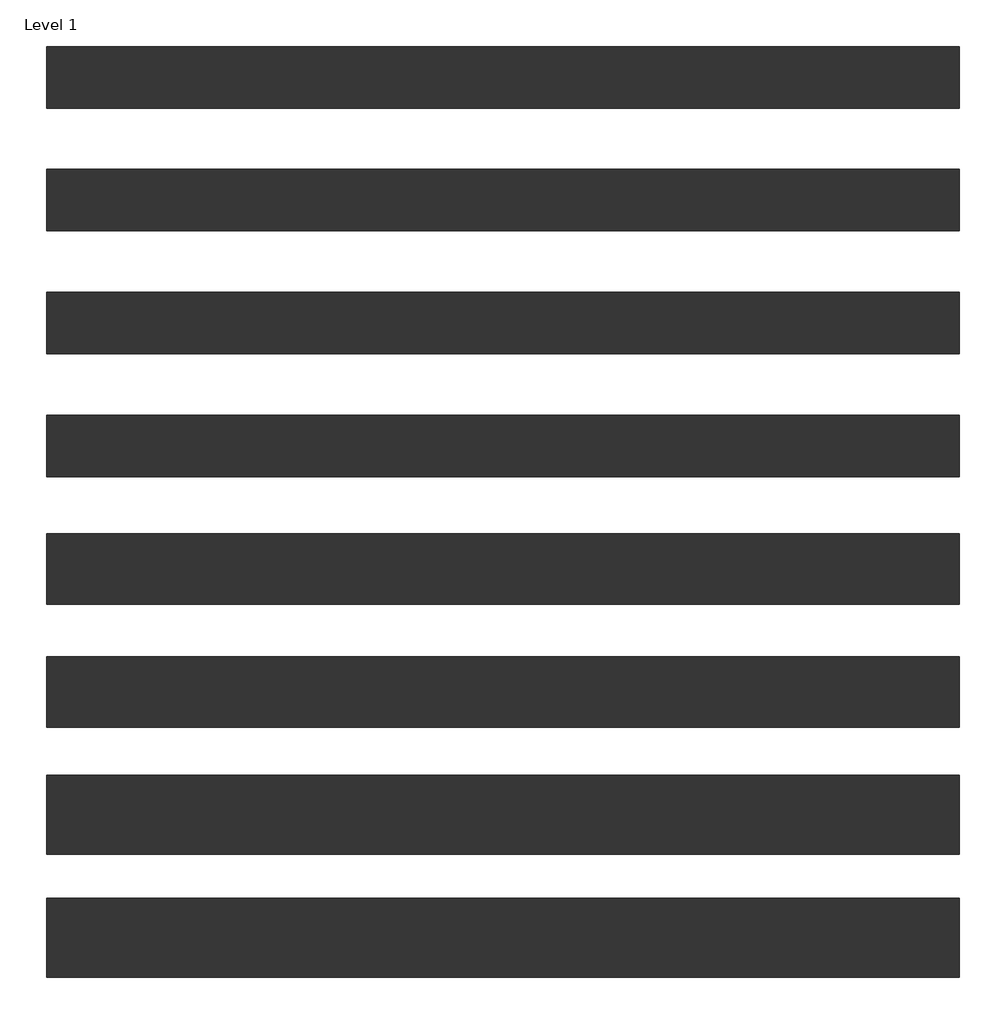
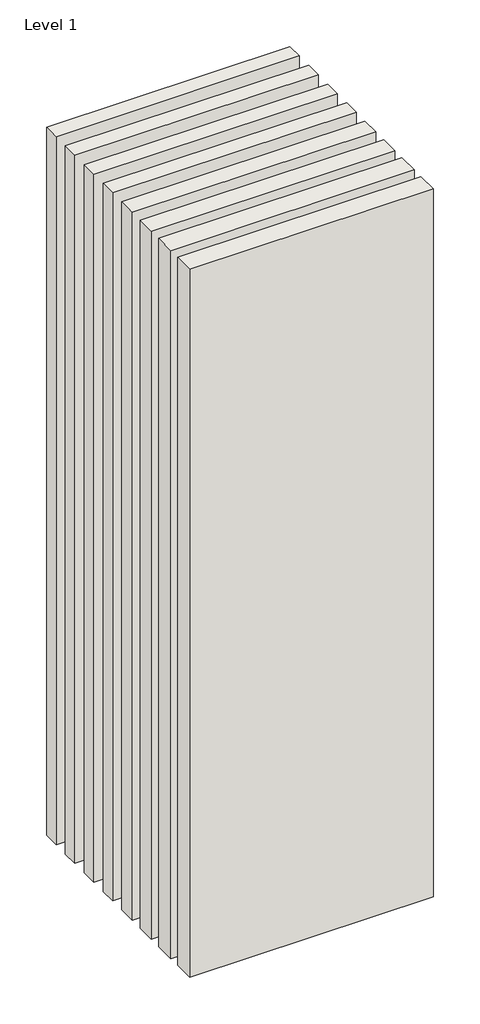
# One storey: 8 walls.
"""IFC4 building model written with IfcOpenShell, lengths in millimetres."""

from ifc_helpers import new_model, si_unit, origin, origin_with_axes, place, context, project, spatial, polyline, outline, extrude, element, save

model = new_model("IFC4")

# Units and contexts
model_context = context("Model", 3, world=origin())
ifc_project = project(units=[si_unit("LENGTHUNIT", "METRE", prefix="MILLI")], contexts=[model_context])

# Site, building, storey
site = spatial("IfcSite", under=ifc_project)
building = spatial("IfcBuilding", under=site)
storey = spatial("IfcBuildingStorey", under=building, Name="Level 1", Elevation=0.0)

# Walls
placement = place(None, origin())
element("IfcWall", 1, at=placement, inside=storey, context=model_context, shape_type="SweptSolid", body=[
    extrude(outline(polyline([(-16904.1464237, 2598.9042935), (-19504.1464237, 2598.9042935), (-19504.1464237, 2773.9042935), (-16904.1464237, 2773.9042935), (-16904.1464237, 2598.9042935)])), origin_with_axes(), (0.0, 0.0, 1.0), 8000.0),
])
element("IfcWall", 2, at=placement, inside=storey, context=model_context, shape_type="SweptSolid", body=[
    extrude(outline(polyline([(-16904.1464237, 2236.4042935), (-19504.1464237, 2236.4042935), (-19504.1464237, 2436.4042935), (-16904.1464237, 2436.4042935), (-16904.1464237, 2236.4042935)])), origin_with_axes(), (0.0, 0.0, 1.0), 8000.0),
])
element("IfcWall", 3, at=placement, inside=storey, context=model_context, shape_type="SweptSolid", body=[
    extrude(outline(polyline([(-16904.1464237, 1886.4042935), (-19504.1464237, 1886.4042935), (-19504.1464237, 2086.4042935), (-16904.1464237, 2086.4042935), (-16904.1464237, 1886.4042935)])), origin_with_axes(), (0.0, 0.0, 1.0), 8000.0),
])
element("IfcWall", 4, at=placement, inside=storey, context=model_context, shape_type="SweptSolid", body=[
    extrude(outline(polyline([(-16904.1464237, 3648.9042935), (-19504.1464237, 3648.9042935), (-19504.1464237, 3823.9042935), (-16904.1464237, 3823.9042935), (-16904.1464237, 3648.9042935)])), origin_with_axes(), (0.0, 0.0, 1.0), 8000.0),
])
element("IfcWall", 5, at=placement, inside=storey, context=model_context, shape_type="SweptSolid", body=[
    extrude(outline(polyline([(-16904.1464237, 3298.9042935), (-19504.1464237, 3298.9042935), (-19504.1464237, 3473.9042935), (-16904.1464237, 3473.9042935), (-16904.1464237, 3298.9042935)])), origin_with_axes(), (0.0, 0.0, 1.0), 8000.0),
])
element("IfcWall", 6, at=placement, inside=storey, context=model_context, shape_type="SweptSolid", body=[
    extrude(outline(polyline([(-16904.1464237, 2948.9042935), (-19504.1464237, 2948.9042935), (-19504.1464237, 3123.9042935), (-16904.1464237, 3123.9042935), (-16904.1464237, 2948.9042935)])), origin_with_axes(), (0.0, 0.0, 1.0), 8000.0),
])
element("IfcWall", 7, at=placement, inside=storey, context=model_context, shape_type="SweptSolid", body=[
    extrude(outline(polyline([(-16904.1464237, 1523.9042935), (-19504.1464237, 1523.9042935), (-19504.1464237, 1748.9042935), (-16904.1464237, 1748.9042935), (-16904.1464237, 1523.9042935)])), origin_with_axes(), (0.0, 0.0, 1.0), 8000.0),
])
element("IfcWall", 8, at=placement, inside=storey, context=model_context, shape_type="SweptSolid", body=[
    extrude(outline(polyline([(-16904.1464237, 1173.9042935), (-19504.1464237, 1173.9042935), (-19504.1464237, 1398.9042935), (-16904.1464237, 1398.9042935), (-16904.1464237, 1173.9042935)])), origin_with_axes(), (0.0, 0.0, 1.0), 8000.0),
])

save(model, "model.ifc")
